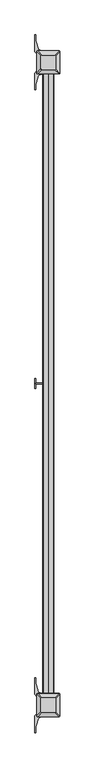
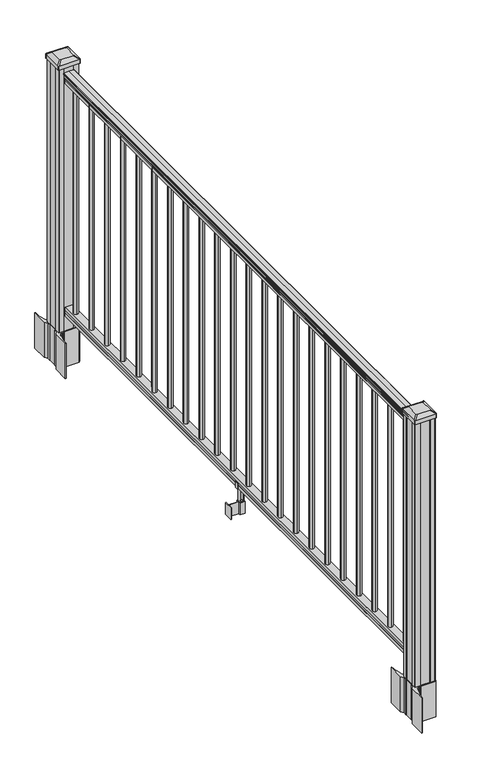
"""IFC4 building model written with IfcOpenShell, lengths in millimetres: railing geometry."""

from ifc_helpers import new_model, si_unit, point, frame, frame_2d, origin, origin_with_axes, place, context, project, spatial, polyline, circle_curve, trimmed, segment, composite_curve, outline, extrude, source, transform, mapped, element, save
from ifc_brep_helpers import plane_surface, extruded_surface, advanced_brep


def railing_ab00d17c(model_context):
    return source(origin(), model_context, "Body", "SolidModel", [
        extrude(outline(composite_curve([segment(trimmed(circle_curve(frame_2d((3572.3636618, 1090.8043297)), 1.2869144), [point((3573.6505761, 1090.8043297))], [point((3571.0767474, 1090.8043297))], False, "CARTESIAN"), True, "CONTINUOUS"), segment(polyline([(3571.0767474, 1090.8043297), (3571.0767474, 1080.147013), (3572.0927474, 1079.131013), (3572.0927474, 1066.8), (3540.3427474, 1066.8), (3540.3427474, 1079.2888283), (3541.3587474, 1080.3048283), (3541.3587474, 1090.8043297)]), True, "CONTINUOUS"), segment(trimmed(circle_curve(frame_2d((3540.071833, 1090.8043297)), 1.2869144), [point((3541.3587474, 1090.8043297))], [point((3538.7849187, 1090.8043297))], False, "CARTESIAN"), True, "CONTINUOUS"), segment(polyline([(3538.7849187, 1090.8043297), (3538.7849187, 1092.692412)]), True, "CONTINUOUS"), segment(trimmed(circle_curve(frame_2d((3545.0996719, 1098.4506383)), 8.545951), [point((3538.7849187, 1092.692412))], [point((3537.6547324, 1094.2546695))], False, "CARTESIAN"), True, "CONTINUOUS"), segment(trimmed(circle_curve(frame_2d((3544.662609, 1097.8636577)), 7.882584), [point((3537.6547324, 1094.2546695))], [point((3537.6547324, 1101.4726458))], False, "CARTESIAN"), True, "CONTINUOUS"), segment(trimmed(circle_curve(frame_2d((3534.1492849, 1103.7112527)), 4.1592695), [point((3537.6547324, 1101.4726458))], [point((3538.3039888, 1103.9060812))], True, "CARTESIAN"), True, "CONTINUOUS"), segment(trimmed(circle_curve(frame_2d((3532.8619783, 1103.6508864)), 5.4479907), [point((3538.3039888, 1103.9060812))], [point((3535.8039888, 1108.2362083))], True, "CARTESIAN"), True, "CONTINUOUS"), segment(trimmed(circle_curve(frame_2d((3534.0951367, 1108.233395)), 1.7088543), [point((3535.8039888, 1108.2362083))], [point((3534.3946463, 1109.9157972))], True, "CARTESIAN"), True, "CONTINUOUS"), segment(trimmed(circle_curve(frame_2d((3535.7120368, 1111.0205318)), 1.7192895), [point((3534.3946463, 1109.9157972))], [point((3533.9927473, 1111.0205318))], False, "CARTESIAN"), True, "CONTINUOUS"), segment(polyline([(3533.9927473, 1111.0205318), (3533.9927474, 1112.3608158)]), True, "CONTINUOUS"), segment(trimmed(circle_curve(frame_2d((3535.5461946, 1112.3608158)), 1.5534472), [point((3533.9927474, 1112.3608158))], [point((3535.5461946, 1113.914263))], False, "CARTESIAN"), True, "CONTINUOUS"), segment(polyline([(3535.5461946, 1113.914263), (3556.2177474, 1113.914263), (3576.8893002, 1113.914263)]), True, "CONTINUOUS"), segment(trimmed(circle_curve(frame_2d((3576.8893002, 1112.3608158)), 1.5534472), [point((3576.8893002, 1113.914263))], [point((3578.4427474, 1112.3608158))], False, "CARTESIAN"), True, "CONTINUOUS"), segment(polyline([(3578.4427474, 1112.3608158), (3578.4427474, 1111.0205318)]), True, "CONTINUOUS"), segment(trimmed(circle_curve(frame_2d((3576.723458, 1111.0205318)), 1.7192895), [point((3578.4427474, 1111.0205318))], [point((3578.0408485, 1109.9157972))], False, "CARTESIAN"), True, "CONTINUOUS"), segment(trimmed(circle_curve(frame_2d((3578.3403581, 1108.233395)), 1.7088543), [point((3578.0408485, 1109.9157972))], [point((3576.631506, 1108.2362083))], True, "CARTESIAN"), True, "CONTINUOUS"), segment(trimmed(circle_curve(frame_2d((3579.5735165, 1103.6508864)), 5.4479907), [point((3576.631506, 1108.2362083))], [point((3574.131506, 1103.9060812))], True, "CARTESIAN"), True, "CONTINUOUS"), segment(trimmed(circle_curve(frame_2d((3578.2862099, 1103.7112527)), 4.1592695), [point((3574.131506, 1103.9060812))], [point((3574.7807624, 1101.4726458))], True, "CARTESIAN"), True, "CONTINUOUS"), segment(trimmed(circle_curve(frame_2d((3567.7728858, 1097.8636577)), 7.882584), [point((3574.7807624, 1101.4726458))], [point((3574.7807624, 1094.2546695))], False, "CARTESIAN"), True, "CONTINUOUS"), segment(trimmed(circle_curve(frame_2d((3567.3358229, 1098.4506383)), 8.545951), [point((3574.7807624, 1094.2546695))], [point((3573.6505761, 1092.692412))], False, "CARTESIAN"), True, "CONTINUOUS"), segment(polyline([(3573.6505761, 1092.692412), (3573.6505761, 1090.8043297)]), True, "CONTINUOUS")], self_intersect=False)), frame((0.0, -18572.4475196, 0.0), z_axis=(0.0, -1.0, 0.0), x_axis=(1.0, 0.0, 0.0)), (0.0, 0.0, 1.0), 2438.4),
        extrude(outline(polyline([(76.0541976, 3572.1302343), (77.3546183, 3571.1142343), (87.7141717, 3571.1142343), (89.0624492, 3572.1302343), (101.5958781, 3572.1302343), (101.5958781, 3540.3802343), (89.0458024, 3540.3802343), (87.6975248, 3541.3962343), (77.3858283, 3541.3962343), (76.0375508, 3540.3802343), (63.5, 3540.3802343), (63.5, 3572.1302343), (76.0541976, 3572.1302343)])), frame((0.0, -21010.8475196, 0.0), z_axis=(0.0, 1.0, 0.0), x_axis=(0.0, 0.0, 1.0)), (0.0, 0.0, 1.0), 2438.4),
        extrude(outline(composite_curve([segment(trimmed(circle_curve(frame_2d((3556.2177474, -18622.2315196)), 9.525), [point((3565.7427474, -18622.2315196))], [point((3556.2177474, -18631.7565196))], False, "CARTESIAN"), True, "CONTINUOUS"), segment(trimmed(circle_curve(frame_2d((3556.2177474, -18622.2315196)), 9.525), [point((3556.2177474, -18631.7565196))], [point((3546.6927474, -18622.2315196))], False, "CARTESIAN"), True, "CONTINUOUS"), segment(trimmed(circle_curve(frame_2d((3556.2177474, -18622.2315196)), 9.525), [point((3546.6927474, -18622.2315196))], [point((3556.2177474, -18612.7065196))], False, "CARTESIAN"), True, "CONTINUOUS"), segment(trimmed(circle_curve(frame_2d((3556.2177474, -18622.2315196)), 9.525), [point((3556.2177474, -18612.7065196))], [point((3565.7427474, -18622.2315196))], False, "CARTESIAN"), True, "CONTINUOUS")], self_intersect=False)), frame((0.0, 0.0, 101.5958781), z_axis=(0.0, 0.0, 1.0), x_axis=(1.0, 0.0, 0.0)), (0.0, 0.0, 1.0), 965.2041219),
        extrude(outline(composite_curve([segment(trimmed(circle_curve(frame_2d((3556.2177474, -18733.4835196)), 9.525), [point((3565.7427474, -18733.4835196))], [point((3556.2177474, -18743.0085196))], False, "CARTESIAN"), True, "CONTINUOUS"), segment(trimmed(circle_curve(frame_2d((3556.2177474, -18733.4835196)), 9.525), [point((3556.2177474, -18743.0085196))], [point((3546.6927474, -18733.4835196))], False, "CARTESIAN"), True, "CONTINUOUS"), segment(trimmed(circle_curve(frame_2d((3556.2177474, -18733.4835196)), 9.525), [point((3546.6927474, -18733.4835196))], [point((3556.2177474, -18723.9585196))], False, "CARTESIAN"), True, "CONTINUOUS"), segment(trimmed(circle_curve(frame_2d((3556.2177474, -18733.4835196)), 9.525), [point((3556.2177474, -18723.9585196))], [point((3565.7427474, -18733.4835196))], False, "CARTESIAN"), True, "CONTINUOUS")], self_intersect=False)), frame((0.0, 0.0, 101.5958781), z_axis=(0.0, 0.0, 1.0), x_axis=(1.0, 0.0, 0.0)), (0.0, 0.0, 1.0), 965.2041219),
        extrude(outline(composite_curve([segment(trimmed(circle_curve(frame_2d((3556.2177474, -18844.7355196)), 9.525), [point((3565.7427474, -18844.7355196))], [point((3556.2177474, -18854.2605196))], False, "CARTESIAN"), True, "CONTINUOUS"), segment(trimmed(circle_curve(frame_2d((3556.2177474, -18844.7355196)), 9.525), [point((3556.2177474, -18854.2605196))], [point((3546.6927474, -18844.7355196))], False, "CARTESIAN"), True, "CONTINUOUS"), segment(trimmed(circle_curve(frame_2d((3556.2177474, -18844.7355196)), 9.525), [point((3546.6927474, -18844.7355196))], [point((3556.2177474, -18835.2105196))], False, "CARTESIAN"), True, "CONTINUOUS"), segment(trimmed(circle_curve(frame_2d((3556.2177474, -18844.7355196)), 9.525), [point((3556.2177474, -18835.2105196))], [point((3565.7427474, -18844.7355196))], False, "CARTESIAN"), True, "CONTINUOUS")], self_intersect=False)), frame((0.0, 0.0, 101.5958781), z_axis=(0.0, 0.0, 1.0), x_axis=(1.0, 0.0, 0.0)), (0.0, 0.0, 1.0), 965.2041219),
        extrude(outline(composite_curve([segment(trimmed(circle_curve(frame_2d((3556.2177474, -18955.9875196)), 9.525), [point((3565.7427474, -18955.9875196))], [point((3556.2177474, -18965.5125196))], False, "CARTESIAN"), True, "CONTINUOUS"), segment(trimmed(circle_curve(frame_2d((3556.2177474, -18955.9875196)), 9.525), [point((3556.2177474, -18965.5125196))], [point((3546.6927474, -18955.9875196))], False, "CARTESIAN"), True, "CONTINUOUS"), segment(trimmed(circle_curve(frame_2d((3556.2177474, -18955.9875196)), 9.525), [point((3546.6927474, -18955.9875196))], [point((3556.2177474, -18946.4625196))], False, "CARTESIAN"), True, "CONTINUOUS"), segment(trimmed(circle_curve(frame_2d((3556.2177474, -18955.9875196)), 9.525), [point((3556.2177474, -18946.4625196))], [point((3565.7427474, -18955.9875196))], False, "CARTESIAN"), True, "CONTINUOUS")], self_intersect=False)), frame((0.0, 0.0, 101.5958781), z_axis=(0.0, 0.0, 1.0), x_axis=(1.0, 0.0, 0.0)), (0.0, 0.0, 1.0), 965.2041219),
        extrude(outline(composite_curve([segment(trimmed(circle_curve(frame_2d((3556.2177474, -19067.2395196)), 9.525), [point((3565.7427474, -19067.2395196))], [point((3556.2177474, -19076.7645196))], False, "CARTESIAN"), True, "CONTINUOUS"), segment(trimmed(circle_curve(frame_2d((3556.2177474, -19067.2395196)), 9.525), [point((3556.2177474, -19076.7645196))], [point((3546.6927474, -19067.2395196))], False, "CARTESIAN"), True, "CONTINUOUS"), segment(trimmed(circle_curve(frame_2d((3556.2177474, -19067.2395196)), 9.525), [point((3546.6927474, -19067.2395196))], [point((3556.2177474, -19057.7145196))], False, "CARTESIAN"), True, "CONTINUOUS"), segment(trimmed(circle_curve(frame_2d((3556.2177474, -19067.2395196)), 9.525), [point((3556.2177474, -19057.7145196))], [point((3565.7427474, -19067.2395196))], False, "CARTESIAN"), True, "CONTINUOUS")], self_intersect=False)), frame((0.0, 0.0, 101.5958781), z_axis=(0.0, 0.0, 1.0), x_axis=(1.0, 0.0, 0.0)), (0.0, 0.0, 1.0), 965.2041219),
        extrude(outline(composite_curve([segment(trimmed(circle_curve(frame_2d((3556.2177474, -19178.4915196)), 9.525), [point((3565.7427474, -19178.4915196))], [point((3556.2177474, -19188.0165196))], False, "CARTESIAN"), True, "CONTINUOUS"), segment(trimmed(circle_curve(frame_2d((3556.2177474, -19178.4915196)), 9.525), [point((3556.2177474, -19188.0165196))], [point((3546.6927474, -19178.4915196))], False, "CARTESIAN"), True, "CONTINUOUS"), segment(trimmed(circle_curve(frame_2d((3556.2177474, -19178.4915196)), 9.525), [point((3546.6927474, -19178.4915196))], [point((3556.2177474, -19168.9665196))], False, "CARTESIAN"), True, "CONTINUOUS"), segment(trimmed(circle_curve(frame_2d((3556.2177474, -19178.4915196)), 9.525), [point((3556.2177474, -19168.9665196))], [point((3565.7427474, -19178.4915196))], False, "CARTESIAN"), True, "CONTINUOUS")], self_intersect=False)), frame((0.0, 0.0, 101.5958781), z_axis=(0.0, 0.0, 1.0), x_axis=(1.0, 0.0, 0.0)), (0.0, 0.0, 1.0), 965.2041219),
        extrude(outline(composite_curve([segment(trimmed(circle_curve(frame_2d((3556.2177474, -19289.7435196)), 9.525), [point((3565.7427474, -19289.7435196))], [point((3556.2177474, -19299.2685196))], False, "CARTESIAN"), True, "CONTINUOUS"), segment(trimmed(circle_curve(frame_2d((3556.2177474, -19289.7435196)), 9.525), [point((3556.2177474, -19299.2685196))], [point((3546.6927474, -19289.7435196))], False, "CARTESIAN"), True, "CONTINUOUS"), segment(trimmed(circle_curve(frame_2d((3556.2177474, -19289.7435196)), 9.525), [point((3546.6927474, -19289.7435196))], [point((3556.2177474, -19280.2185196))], False, "CARTESIAN"), True, "CONTINUOUS"), segment(trimmed(circle_curve(frame_2d((3556.2177474, -19289.7435196)), 9.525), [point((3556.2177474, -19280.2185196))], [point((3565.7427474, -19289.7435196))], False, "CARTESIAN"), True, "CONTINUOUS")], self_intersect=False)), frame((0.0, 0.0, 101.5958781), z_axis=(0.0, 0.0, 1.0), x_axis=(1.0, 0.0, 0.0)), (0.0, 0.0, 1.0), 965.2041219),
        extrude(outline(composite_curve([segment(trimmed(circle_curve(frame_2d((3556.2177474, -19400.9955196)), 9.525), [point((3565.7427474, -19400.9955196))], [point((3556.2177474, -19410.5205196))], False, "CARTESIAN"), True, "CONTINUOUS"), segment(trimmed(circle_curve(frame_2d((3556.2177474, -19400.9955196)), 9.525), [point((3556.2177474, -19410.5205196))], [point((3546.6927474, -19400.9955196))], False, "CARTESIAN"), True, "CONTINUOUS"), segment(trimmed(circle_curve(frame_2d((3556.2177474, -19400.9955196)), 9.525), [point((3546.6927474, -19400.9955196))], [point((3556.2177474, -19391.4705196))], False, "CARTESIAN"), True, "CONTINUOUS"), segment(trimmed(circle_curve(frame_2d((3556.2177474, -19400.9955196)), 9.525), [point((3556.2177474, -19391.4705196))], [point((3565.7427474, -19400.9955196))], False, "CARTESIAN"), True, "CONTINUOUS")], self_intersect=False)), frame((0.0, 0.0, 101.5958781), z_axis=(0.0, 0.0, 1.0), x_axis=(1.0, 0.0, 0.0)), (0.0, 0.0, 1.0), 965.2041219),
        extrude(outline(composite_curve([segment(trimmed(circle_curve(frame_2d((3556.2177474, -19512.2475196)), 9.525), [point((3565.7427474, -19512.2475196))], [point((3556.2177474, -19521.7725196))], False, "CARTESIAN"), True, "CONTINUOUS"), segment(trimmed(circle_curve(frame_2d((3556.2177474, -19512.2475196)), 9.525), [point((3556.2177474, -19521.7725196))], [point((3546.6927474, -19512.2475196))], False, "CARTESIAN"), True, "CONTINUOUS"), segment(trimmed(circle_curve(frame_2d((3556.2177474, -19512.2475196)), 9.525), [point((3546.6927474, -19512.2475196))], [point((3556.2177474, -19502.7225196))], False, "CARTESIAN"), True, "CONTINUOUS"), segment(trimmed(circle_curve(frame_2d((3556.2177474, -19512.2475196)), 9.525), [point((3556.2177474, -19502.7225196))], [point((3565.7427474, -19512.2475196))], False, "CARTESIAN"), True, "CONTINUOUS")], self_intersect=False)), frame((0.0, 0.0, 101.5958781), z_axis=(0.0, 0.0, 1.0), x_axis=(1.0, 0.0, 0.0)), (0.0, 0.0, 1.0), 965.2041219),
        extrude(outline(composite_curve([segment(trimmed(circle_curve(frame_2d((3556.2177474, -19623.4995196)), 9.525), [point((3565.7427474, -19623.4995196))], [point((3556.2177474, -19633.0245196))], False, "CARTESIAN"), True, "CONTINUOUS"), segment(trimmed(circle_curve(frame_2d((3556.2177474, -19623.4995196)), 9.525), [point((3556.2177474, -19633.0245196))], [point((3546.6927474, -19623.4995196))], False, "CARTESIAN"), True, "CONTINUOUS"), segment(trimmed(circle_curve(frame_2d((3556.2177474, -19623.4995196)), 9.525), [point((3546.6927474, -19623.4995196))], [point((3556.2177474, -19613.9745196))], False, "CARTESIAN"), True, "CONTINUOUS"), segment(trimmed(circle_curve(frame_2d((3556.2177474, -19623.4995196)), 9.525), [point((3556.2177474, -19613.9745196))], [point((3565.7427474, -19623.4995196))], False, "CARTESIAN"), True, "CONTINUOUS")], self_intersect=False)), frame((0.0, 0.0, 101.5958781), z_axis=(0.0, 0.0, 1.0), x_axis=(1.0, 0.0, 0.0)), (0.0, 0.0, 1.0), 965.2041219),
        extrude(outline(composite_curve([segment(trimmed(circle_curve(frame_2d((3556.2177474, -19734.7515196)), 9.525), [point((3565.7427474, -19734.7515196))], [point((3556.2177474, -19744.2765196))], False, "CARTESIAN"), True, "CONTINUOUS"), segment(trimmed(circle_curve(frame_2d((3556.2177474, -19734.7515196)), 9.525), [point((3556.2177474, -19744.2765196))], [point((3546.6927474, -19734.7515196))], False, "CARTESIAN"), True, "CONTINUOUS"), segment(trimmed(circle_curve(frame_2d((3556.2177474, -19734.7515196)), 9.525), [point((3546.6927474, -19734.7515196))], [point((3556.2177474, -19725.2265196))], False, "CARTESIAN"), True, "CONTINUOUS"), segment(trimmed(circle_curve(frame_2d((3556.2177474, -19734.7515196)), 9.525), [point((3556.2177474, -19725.2265196))], [point((3565.7427474, -19734.7515196))], False, "CARTESIAN"), True, "CONTINUOUS")], self_intersect=False)), frame((0.0, 0.0, 101.5958781), z_axis=(0.0, 0.0, 1.0), x_axis=(1.0, 0.0, 0.0)), (0.0, 0.0, 1.0), 965.2041219),
        extrude(outline(polyline([(3545.5497476, -19791.6475196), (3506.1797474, -19791.6475196), (3506.1797474, -19789.1075196), (3545.5497476, -19789.1075196), (3545.5497476, -19791.6475196)])), frame((0.0, 0.0, -50.8), z_axis=(0.0, 0.0, 1.0), x_axis=(1.0, 0.0, 0.0)), (0.0, 0.0, 1.0), 50.8),
        extrude(outline(polyline([(3506.1797474, -19809.4275196), (3503.6397474, -19809.4275196), (3503.6397474, -19771.3275196), (3506.1797474, -19771.3275196), (3506.1797474, -19809.4275196)])), frame((0.0, 0.0, -50.8), z_axis=(0.0, 0.0, 1.0), x_axis=(1.0, 0.0, 0.0)), (0.0, 0.0, 1.0), 50.8),
        extrude(outline(polyline([(3566.8857481, -19800.2835196), (3545.5497476, -19800.2835196), (3545.5497476, -19780.4715196), (3566.8857481, -19780.4715196), (3566.8857481, -19800.2835196)]), holes=[polyline([(3563.5837481, -19797.7435196), (3563.5837481, -19783.0115196), (3548.8517477, -19783.0115196), (3548.8517477, -19797.7435196), (3563.5837481, -19797.7435196)])]), frame((0.0, 0.0, -50.8), z_axis=(0.0, 0.0, 1.0), x_axis=(1.0, 0.0, 0.0)), (0.0, 0.0, 1.0), 50.8),
        extrude(outline(polyline([(88.7203979, 3538.0567486), (87.9583969, 3537.2947475), (61.4680023, 3537.2947475), (60.7060013, 3538.0567486), (60.7060013, 3548.0897476), (59.9440012, 3548.8517477), (-3.5559988, 3548.8517477), (-3.5559988, 3563.5837481), (59.9440012, 3563.5837481), (60.7060013, 3564.3457481), (60.7060013, 3574.3787472), (61.4680023, 3575.1407482), (87.9583969, 3575.1407482), (88.7203979, 3574.3787472), (88.7203979, 3572.3467476), (87.7043953, 3571.3307478), (77.2686081, 3571.3307478), (76.2526073, 3572.3467476), (64.262001, 3572.3467476), (63.5000019, 3571.5847485), (63.5000019, 3540.8507473), (64.262001, 3540.0887482), (76.2526073, 3540.0887482), (77.2686081, 3541.104748), (87.7043953, 3541.104748), (88.7203979, 3540.0887482), (88.7203979, 3538.0567486)]), holes=[polyline([(60.7060013, 3559.6467478), (59.9440012, 3560.4087479), (3.9370031, 3560.4087479), (3.1750031, 3559.6467478), (3.1750031, 3552.7887451), (3.9370003, 3552.0267479), (59.9440012, 3552.0267479), (60.7060013, 3552.788748), (60.7060013, 3559.6467478)])]), frame((0.0, -19797.7435196, 0.0), z_axis=(0.0, 1.0, 0.0), x_axis=(0.0, 0.0, 1.0)), (0.0, 0.0, 1.0), 14.732),
        extrude(outline(composite_curve([segment(trimmed(circle_curve(frame_2d((3556.2177474, -19846.0035196)), 9.525), [point((3565.7427474, -19846.0035196))], [point((3556.2177474, -19855.5285196))], False, "CARTESIAN"), True, "CONTINUOUS"), segment(trimmed(circle_curve(frame_2d((3556.2177474, -19846.0035196)), 9.525), [point((3556.2177474, -19855.5285196))], [point((3546.6927474, -19846.0035196))], False, "CARTESIAN"), True, "CONTINUOUS"), segment(trimmed(circle_curve(frame_2d((3556.2177474, -19846.0035196)), 9.525), [point((3546.6927474, -19846.0035196))], [point((3556.2177474, -19836.4785196))], False, "CARTESIAN"), True, "CONTINUOUS"), segment(trimmed(circle_curve(frame_2d((3556.2177474, -19846.0035196)), 9.525), [point((3556.2177474, -19836.4785196))], [point((3565.7427474, -19846.0035196))], False, "CARTESIAN"), True, "CONTINUOUS")], self_intersect=False)), frame((0.0, 0.0, 101.5958781), z_axis=(0.0, 0.0, 1.0), x_axis=(1.0, 0.0, 0.0)), (0.0, 0.0, 1.0), 965.2041219),
        extrude(outline(composite_curve([segment(trimmed(circle_curve(frame_2d((3556.2177474, -19957.2555196)), 9.525), [point((3565.7427474, -19957.2555196))], [point((3556.2177474, -19966.7805196))], False, "CARTESIAN"), True, "CONTINUOUS"), segment(trimmed(circle_curve(frame_2d((3556.2177474, -19957.2555196)), 9.525), [point((3556.2177474, -19966.7805196))], [point((3546.6927474, -19957.2555196))], False, "CARTESIAN"), True, "CONTINUOUS"), segment(trimmed(circle_curve(frame_2d((3556.2177474, -19957.2555196)), 9.525), [point((3546.6927474, -19957.2555196))], [point((3556.2177474, -19947.7305196))], False, "CARTESIAN"), True, "CONTINUOUS"), segment(trimmed(circle_curve(frame_2d((3556.2177474, -19957.2555196)), 9.525), [point((3556.2177474, -19947.7305196))], [point((3565.7427474, -19957.2555196))], False, "CARTESIAN"), True, "CONTINUOUS")], self_intersect=False)), frame((0.0, 0.0, 101.5958781), z_axis=(0.0, 0.0, 1.0), x_axis=(1.0, 0.0, 0.0)), (0.0, 0.0, 1.0), 965.2041219),
        extrude(outline(composite_curve([segment(trimmed(circle_curve(frame_2d((3556.2177474, -20068.5075196)), 9.525), [point((3565.7427474, -20068.5075196))], [point((3556.2177474, -20078.0325196))], False, "CARTESIAN"), True, "CONTINUOUS"), segment(trimmed(circle_curve(frame_2d((3556.2177474, -20068.5075196)), 9.525), [point((3556.2177474, -20078.0325196))], [point((3546.6927474, -20068.5075196))], False, "CARTESIAN"), True, "CONTINUOUS"), segment(trimmed(circle_curve(frame_2d((3556.2177474, -20068.5075196)), 9.525), [point((3546.6927474, -20068.5075196))], [point((3556.2177474, -20058.9825196))], False, "CARTESIAN"), True, "CONTINUOUS"), segment(trimmed(circle_curve(frame_2d((3556.2177474, -20068.5075196)), 9.525), [point((3556.2177474, -20058.9825196))], [point((3565.7427474, -20068.5075196))], False, "CARTESIAN"), True, "CONTINUOUS")], self_intersect=False)), frame((0.0, 0.0, 101.5958781), z_axis=(0.0, 0.0, 1.0), x_axis=(1.0, 0.0, 0.0)), (0.0, 0.0, 1.0), 965.2041219),
        extrude(outline(composite_curve([segment(trimmed(circle_curve(frame_2d((3556.2177474, -20179.7595196)), 9.525), [point((3565.7427474, -20179.7595196))], [point((3556.2177474, -20189.2845196))], False, "CARTESIAN"), True, "CONTINUOUS"), segment(trimmed(circle_curve(frame_2d((3556.2177474, -20179.7595196)), 9.525), [point((3556.2177474, -20189.2845196))], [point((3546.6927474, -20179.7595196))], False, "CARTESIAN"), True, "CONTINUOUS"), segment(trimmed(circle_curve(frame_2d((3556.2177474, -20179.7595196)), 9.525), [point((3546.6927474, -20179.7595196))], [point((3556.2177474, -20170.2345196))], False, "CARTESIAN"), True, "CONTINUOUS"), segment(trimmed(circle_curve(frame_2d((3556.2177474, -20179.7595196)), 9.525), [point((3556.2177474, -20170.2345196))], [point((3565.7427474, -20179.7595196))], False, "CARTESIAN"), True, "CONTINUOUS")], self_intersect=False)), frame((0.0, 0.0, 101.5958781), z_axis=(0.0, 0.0, 1.0), x_axis=(1.0, 0.0, 0.0)), (0.0, 0.0, 1.0), 965.2041219),
        extrude(outline(composite_curve([segment(trimmed(circle_curve(frame_2d((3556.2177474, -20291.0115196)), 9.525), [point((3565.7427474, -20291.0115196))], [point((3556.2177474, -20300.5365196))], False, "CARTESIAN"), True, "CONTINUOUS"), segment(trimmed(circle_curve(frame_2d((3556.2177474, -20291.0115196)), 9.525), [point((3556.2177474, -20300.5365196))], [point((3546.6927474, -20291.0115196))], False, "CARTESIAN"), True, "CONTINUOUS"), segment(trimmed(circle_curve(frame_2d((3556.2177474, -20291.0115196)), 9.525), [point((3546.6927474, -20291.0115196))], [point((3556.2177474, -20281.4865196))], False, "CARTESIAN"), True, "CONTINUOUS"), segment(trimmed(circle_curve(frame_2d((3556.2177474, -20291.0115196)), 9.525), [point((3556.2177474, -20281.4865196))], [point((3565.7427474, -20291.0115196))], False, "CARTESIAN"), True, "CONTINUOUS")], self_intersect=False)), frame((0.0, 0.0, 101.5958781), z_axis=(0.0, 0.0, 1.0), x_axis=(1.0, 0.0, 0.0)), (0.0, 0.0, 1.0), 965.2041219),
        extrude(outline(composite_curve([segment(trimmed(circle_curve(frame_2d((3556.2177474, -20402.2635196)), 9.525), [point((3565.7427474, -20402.2635196))], [point((3556.2177474, -20411.7885196))], False, "CARTESIAN"), True, "CONTINUOUS"), segment(trimmed(circle_curve(frame_2d((3556.2177474, -20402.2635196)), 9.525), [point((3556.2177474, -20411.7885196))], [point((3546.6927474, -20402.2635196))], False, "CARTESIAN"), True, "CONTINUOUS"), segment(trimmed(circle_curve(frame_2d((3556.2177474, -20402.2635196)), 9.525), [point((3546.6927474, -20402.2635196))], [point((3556.2177474, -20392.7385196))], False, "CARTESIAN"), True, "CONTINUOUS"), segment(trimmed(circle_curve(frame_2d((3556.2177474, -20402.2635196)), 9.525), [point((3556.2177474, -20392.7385196))], [point((3565.7427474, -20402.2635196))], False, "CARTESIAN"), True, "CONTINUOUS")], self_intersect=False)), frame((0.0, 0.0, 101.5958781), z_axis=(0.0, 0.0, 1.0), x_axis=(1.0, 0.0, 0.0)), (0.0, 0.0, 1.0), 965.2041219),
        extrude(outline(composite_curve([segment(trimmed(circle_curve(frame_2d((3556.2177474, -20513.5155196)), 9.525), [point((3565.7427474, -20513.5155196))], [point((3556.2177474, -20523.0405196))], False, "CARTESIAN"), True, "CONTINUOUS"), segment(trimmed(circle_curve(frame_2d((3556.2177474, -20513.5155196)), 9.525), [point((3556.2177474, -20523.0405196))], [point((3546.6927474, -20513.5155196))], False, "CARTESIAN"), True, "CONTINUOUS"), segment(trimmed(circle_curve(frame_2d((3556.2177474, -20513.5155196)), 9.525), [point((3546.6927474, -20513.5155196))], [point((3556.2177474, -20503.9905196))], False, "CARTESIAN"), True, "CONTINUOUS"), segment(trimmed(circle_curve(frame_2d((3556.2177474, -20513.5155196)), 9.525), [point((3556.2177474, -20503.9905196))], [point((3565.7427474, -20513.5155196))], False, "CARTESIAN"), True, "CONTINUOUS")], self_intersect=False)), frame((0.0, 0.0, 101.5958781), z_axis=(0.0, 0.0, 1.0), x_axis=(1.0, 0.0, 0.0)), (0.0, 0.0, 1.0), 965.2041219),
        extrude(outline(composite_curve([segment(trimmed(circle_curve(frame_2d((3556.2177474, -20624.7675196)), 9.525), [point((3565.7427474, -20624.7675196))], [point((3556.2177474, -20634.2925196))], False, "CARTESIAN"), True, "CONTINUOUS"), segment(trimmed(circle_curve(frame_2d((3556.2177474, -20624.7675196)), 9.525), [point((3556.2177474, -20634.2925196))], [point((3546.6927474, -20624.7675196))], False, "CARTESIAN"), True, "CONTINUOUS"), segment(trimmed(circle_curve(frame_2d((3556.2177474, -20624.7675196)), 9.525), [point((3546.6927474, -20624.7675196))], [point((3556.2177474, -20615.2425196))], False, "CARTESIAN"), True, "CONTINUOUS"), segment(trimmed(circle_curve(frame_2d((3556.2177474, -20624.7675196)), 9.525), [point((3556.2177474, -20615.2425196))], [point((3565.7427474, -20624.7675196))], False, "CARTESIAN"), True, "CONTINUOUS")], self_intersect=False)), frame((0.0, 0.0, 101.5958781), z_axis=(0.0, 0.0, 1.0), x_axis=(1.0, 0.0, 0.0)), (0.0, 0.0, 1.0), 965.2041219),
        extrude(outline(composite_curve([segment(trimmed(circle_curve(frame_2d((3556.2177474, -20736.0195196)), 9.525), [point((3565.7427474, -20736.0195196))], [point((3556.2177474, -20745.5445196))], False, "CARTESIAN"), True, "CONTINUOUS"), segment(trimmed(circle_curve(frame_2d((3556.2177474, -20736.0195196)), 9.525), [point((3556.2177474, -20745.5445196))], [point((3546.6927474, -20736.0195196))], False, "CARTESIAN"), True, "CONTINUOUS"), segment(trimmed(circle_curve(frame_2d((3556.2177474, -20736.0195196)), 9.525), [point((3546.6927474, -20736.0195196))], [point((3556.2177474, -20726.4945196))], False, "CARTESIAN"), True, "CONTINUOUS"), segment(trimmed(circle_curve(frame_2d((3556.2177474, -20736.0195196)), 9.525), [point((3556.2177474, -20726.4945196))], [point((3565.7427474, -20736.0195196))], False, "CARTESIAN"), True, "CONTINUOUS")], self_intersect=False)), frame((0.0, 0.0, 101.5958781), z_axis=(0.0, 0.0, 1.0), x_axis=(1.0, 0.0, 0.0)), (0.0, 0.0, 1.0), 965.2041219),
        extrude(outline(composite_curve([segment(trimmed(circle_curve(frame_2d((3556.2177474, -20847.2715196)), 9.525), [point((3565.7427474, -20847.2715196))], [point((3556.2177474, -20856.7965196))], False, "CARTESIAN"), True, "CONTINUOUS"), segment(trimmed(circle_curve(frame_2d((3556.2177474, -20847.2715196)), 9.525), [point((3556.2177474, -20856.7965196))], [point((3546.6927474, -20847.2715196))], False, "CARTESIAN"), True, "CONTINUOUS"), segment(trimmed(circle_curve(frame_2d((3556.2177474, -20847.2715196)), 9.525), [point((3546.6927474, -20847.2715196))], [point((3556.2177474, -20837.7465196))], False, "CARTESIAN"), True, "CONTINUOUS"), segment(trimmed(circle_curve(frame_2d((3556.2177474, -20847.2715196)), 9.525), [point((3556.2177474, -20837.7465196))], [point((3565.7427474, -20847.2715196))], False, "CARTESIAN"), True, "CONTINUOUS")], self_intersect=False)), frame((0.0, 0.0, 101.5958781), z_axis=(0.0, 0.0, 1.0), x_axis=(1.0, 0.0, 0.0)), (0.0, 0.0, 1.0), 965.2041219),
        extrude(outline(composite_curve([segment(trimmed(circle_curve(frame_2d((3556.2177474, -20958.5235196)), 9.525), [point((3565.7427474, -20958.5235196))], [point((3556.2177474, -20968.0485196))], False, "CARTESIAN"), True, "CONTINUOUS"), segment(trimmed(circle_curve(frame_2d((3556.2177474, -20958.5235196)), 9.525), [point((3556.2177474, -20968.0485196))], [point((3546.6927474, -20958.5235196))], False, "CARTESIAN"), True, "CONTINUOUS"), segment(trimmed(circle_curve(frame_2d((3556.2177474, -20958.5235196)), 9.525), [point((3546.6927474, -20958.5235196))], [point((3556.2177474, -20948.9985196))], False, "CARTESIAN"), True, "CONTINUOUS"), segment(trimmed(circle_curve(frame_2d((3556.2177474, -20958.5235196)), 9.525), [point((3556.2177474, -20948.9985196))], [point((3565.7427474, -20958.5235196))], False, "CARTESIAN"), True, "CONTINUOUS")], self_intersect=False)), frame((0.0, 0.0, 101.5958781), z_axis=(0.0, 0.0, 1.0), x_axis=(1.0, 0.0, 0.0)), (0.0, 0.0, 1.0), 965.2041219),
        extrude(outline(composite_curve([segment(polyline([(3598.9532474, -18548.4316145), (3600.5407474, -18549.1936145), (3600.5407474, -18571.9955426), (3597.1677703, -18575.3685196), (3535.7080995, -18575.3685196), (3535.7080995, -18576.2892696), (3530.3905557, -18576.2892696), (3530.3905557, -18577.7435243), (3525.306026, -18577.7435243), (3525.306026, -18579.0275482), (3523.6387537, -18579.0275482)]), True, "CONTINUOUS"), segment(trimmed(circle_curve(frame_2d((3523.6387537, -18586.087008)), 7.0594599), [point((3523.6387537, -18579.0275482))], [point((3516.8714908, -18584.0770013))], True, "CARTESIAN"), True, "CONTINUOUS"), segment(polyline([(3516.8714908, -18584.0770013), (3508.9972966, -18610.5877304)]), True, "CONTINUOUS"), segment(trimmed(circle_curve(frame_2d((3563.7818099, -18626.8597801)), 57.15), [point((3508.9972966, -18610.5877304))], [point((3506.6318099, -18626.8597801))], True, "CARTESIAN"), True, "CONTINUOUS"), segment(polyline([(3506.6318099, -18626.8597801), (3506.6318099, -18638.8685196), (3503.6318099, -18638.8685196), (3503.6318099, -18573.7810196), (3511.8947474, -18562.4427283), (3511.8947474, -18549.1936145), (3513.4822474, -18548.4316145), (3513.4822474, -18513.6594248), (3511.8947474, -18512.8974248), (3511.8947474, -18499.648311), (3503.6318099, -18488.3100196), (3503.6318099, -18423.2225196), (3506.6318099, -18423.2225196), (3506.6318099, -18435.2312592)]), True, "CONTINUOUS"), segment(trimmed(circle_curve(frame_2d((3563.7818099, -18435.2312592)), 57.15), [point((3506.6318099, -18435.2312592))], [point((3508.9972966, -18451.5033088))], True, "CARTESIAN"), True, "CONTINUOUS"), segment(polyline([(3508.9972966, -18451.5033088), (3516.8714908, -18478.0140379)]), True, "CONTINUOUS"), segment(trimmed(circle_curve(frame_2d((3523.6387537, -18476.0040313)), 7.0594599), [point((3516.8714908, -18478.0140379))], [point((3523.6387537, -18483.0634911))], True, "CARTESIAN"), True, "CONTINUOUS"), segment(polyline([(3523.6387537, -18483.0634911), (3525.306026, -18483.0634911), (3525.306026, -18484.347515), (3530.3905557, -18484.347515), (3530.3905557, -18485.8017696), (3535.7080995, -18485.8017696), (3535.7080995, -18486.7225196), (3597.1677703, -18486.7225196), (3600.5407474, -18490.0954967), (3600.5407474, -18512.8974248), (3598.9532474, -18513.6594248), (3598.9532474, -18548.4316145)]), True, "CONTINUOUS")], self_intersect=False), holes=[polyline([(3514.9427474, -18491.3580196), (3514.9427474, -18570.7330196), (3516.5302474, -18572.3205196), (3553.45453, -18572.3205196), (3595.9052474, -18572.3205196), (3597.4927474, -18570.7330196), (3597.4927474, -18491.3580196), (3595.9052474, -18489.7705196), (3553.45453, -18489.7705196), (3516.5302474, -18489.7705196), (3514.9427474, -18491.3580196)])]), frame((0.0, 0.0, -152.4), z_axis=(0.0, 0.0, 1.0), x_axis=(1.0, 0.0, 0.0)), (0.0, 0.0, 1.0), 152.4),
        advanced_brep(
        [(3530.4208724, -18560.0173946, 1165.225), (3582.0146224, -18560.0173946, 1165.225), (3585.1896224, -18556.8423946, 1165.225), (3585.1896224, -18505.2486446, 1165.225), (3582.0146224, -18502.0736446, 1165.225), (3530.4208724, -18502.0736446, 1165.225), (3527.2458724, -18505.2486446, 1165.225), (3527.2458724, -18556.8423946, 1165.225), (3514.1489974, -18576.2892696, 1153.922), (3510.9739974, -18573.1142696, 1153.922), (3510.9739974, -18488.9767696, 1153.922), (3514.1489974, -18485.8017696, 1153.922), (3598.2864974, -18485.8017696, 1153.922), (3601.4614974, -18488.9767696, 1153.922), (3601.4614974, -18573.1142696, 1153.922), (3598.2864974, -18576.2892696, 1153.922)],
        [
            (0, 1),
            (1, 2, circle_curve(frame((3582.0146224, -18556.8423946, 1165.225), z_axis=(0.0, 0.0, 1.0), x_axis=(0.0, 1.0, 0.0)), 3.175)),
            (2, 3),
            (3, 4, circle_curve(frame((3582.0146224, -18505.2486446, 1165.225), z_axis=(0.0, 0.0, 1.0), x_axis=(0.0, 1.0, 0.0)), 3.175)),
            (4, 5),
            (5, 6, circle_curve(frame((3530.4208724, -18505.2486446, 1165.225), z_axis=(0.0, 0.0, 1.0), x_axis=(0.0, 1.0, 0.0)), 3.175)),
            (6, 7),
            (7, 0, circle_curve(frame((3530.4208724, -18556.8423946, 1165.225), z_axis=(0.0, 0.0, 1.0), x_axis=(0.0, 1.0, 0.0)), 3.175)),
            (8, 9, circle_curve(frame((3514.1489974, -18573.1142696, 1153.922), z_axis=(0.0, 0.0, -1.0), x_axis=(0.0, 1.0, 0.0)), 3.175)),
            (9, 10),
            (10, 11, circle_curve(frame((3514.1489974, -18488.9767696, 1153.922), z_axis=(0.0, 0.0, -1.0), x_axis=(0.0, 1.0, 0.0)), 3.175)),
            (11, 12),
            (12, 13, circle_curve(frame((3598.2864974, -18488.9767696, 1153.922), z_axis=(0.0, 0.0, -1.0), x_axis=(0.0, 1.0, 0.0)), 3.175)),
            (13, 14),
            (14, 15, circle_curve(frame((3598.2864974, -18573.1142696, 1153.922), z_axis=(0.0, 0.0, -1.0), x_axis=(0.0, 1.0, 0.0)), 3.175)),
            (15, 8),
            (8, 0),
            (7, 9),
            (6, 10),
            (5, 11),
            (4, 12),
            (3, 13),
            (2, 14),
            (1, 15),
        ],
        [
            plane_surface(frame((3556.2177474, -18531.0455196, 1165.225), z_axis=(0.0, 0.0, 1.0), x_axis=(-1.0, 0.0, 0.0))),
            plane_surface(frame((3556.2177474, -18531.0455196, 1153.922), z_axis=(0.0, 0.0, -1.0), x_axis=(-1.0, 0.0, 0.0))),
            extruded_surface(trimmed(circle_curve(frame((3530.4208724, -18556.8423946, 1165.225), z_axis=(0.0, 0.0, -1.0), x_axis=(0.0, 1.0, 0.0)), 3.175), [point((3530.4208724, -18560.0173946, 1165.225))], [point((3527.2458724, -18556.8423946, 1165.225))], True, "CARTESIAN"), (-16.27187499999991, -16.271874999998545, -11.302999999999884), 25.63797263886513),
            plane_surface(frame((3510.9739974, -18531.0455196, 1153.922), z_axis=(-0.5705009161540777, 0.0, 0.8212969649690409), x_axis=(0.0, 1.0, 0.0))),
            extruded_surface(trimmed(circle_curve(frame((3530.4208724, -18505.2486446, 1165.225), z_axis=(0.0, 0.0, -1.0), x_axis=(0.0, 1.0, 0.0)), 3.175), [point((3527.2458724, -18505.2486446, 1165.225))], [point((3530.4208724, -18502.0736446, 1165.225))], True, "CARTESIAN"), (-16.27187499999991, 16.271874999998545, -11.302999999999884), 25.63797263886513),
            plane_surface(frame((3556.2177474, -18485.8017696, 1153.922), z_axis=(0.0, 0.5705009161540291, 0.8212969649690747), x_axis=(1.0, 0.0, 0.0))),
            extruded_surface(trimmed(circle_curve(frame((3582.0146224, -18505.2486446, 1165.225), z_axis=(0.0, 0.0, -1.0), x_axis=(0.0, 1.0, 0.0)), 3.175), [point((3582.0146224, -18502.0736446, 1165.225))], [point((3585.1896224, -18505.2486446, 1165.225))], True, "CARTESIAN"), (16.27187499999991, 16.271874999998545, -11.302999999999884), 25.63797263886513),
            plane_surface(frame((3601.4614974, -18531.0455196, 1153.922), z_axis=(0.5705009161540143, 0.0, 0.821296964969085), x_axis=(0.0, -1.0, 0.0))),
            extruded_surface(trimmed(circle_curve(frame((3582.0146224, -18556.8423946, 1165.225), z_axis=(0.0, 0.0, -1.0), x_axis=(0.0, 1.0, 0.0)), 3.175), [point((3585.1896224, -18556.8423946, 1165.225))], [point((3582.0146224, -18560.0173946, 1165.225))], True, "CARTESIAN"), (16.27187499999991, -16.271874999998545, -11.302999999999884), 25.63797263886513),
            plane_surface(frame((3556.2177474, -18576.2892696, 1153.922), z_axis=(0.0, -0.570500916154034, 0.8212969649690713), x_axis=(-1.0, 0.0, 0.0))),
        ],
        [
            (0, [[1, 2, 3, 4, 5, 6, 7, 8]]),
            (1, [[9, 10, 11, 12, 13, 14, 15, 16]]),
            (2, [[17, -8, 18, -9]]),
            (3, [[-18, -7, 19, -10]]),
            (4, [[-19, -6, 20, -11]]),
            (5, [[-20, -5, 21, -12]]),
            (6, [[-21, -4, 22, -13]]),
            (7, [[-22, -3, 23, -14]]),
            (8, [[-23, -2, 24, -15]]),
            (9, [[-24, -1, -17, -16]]),
        ],
    ),
        extrude(outline(composite_curve([segment(trimmed(circle_curve(frame_2d((3514.1489974, -18573.1142696)), 3.175), [point((3514.1489974, -18576.2892696))], [point((3510.9739974, -18573.1142696))], False, "CARTESIAN"), True, "CONTINUOUS"), segment(polyline([(3510.9739974, -18573.1142696), (3510.9739974, -18488.9767696)]), True, "CONTINUOUS"), segment(trimmed(circle_curve(frame_2d((3514.1489974, -18488.9767696)), 3.175), [point((3510.9739974, -18488.9767696))], [point((3514.1489974, -18485.8017696))], False, "CARTESIAN"), True, "CONTINUOUS"), segment(polyline([(3514.1489974, -18485.8017696), (3598.2864974, -18485.8017696)]), True, "CONTINUOUS"), segment(trimmed(circle_curve(frame_2d((3598.2864974, -18488.9767696)), 3.175), [point((3598.2864974, -18485.8017696))], [point((3601.4614974, -18488.9767696))], False, "CARTESIAN"), True, "CONTINUOUS"), segment(polyline([(3601.4614974, -18488.9767696), (3601.4614974, -18573.1142696)]), True, "CONTINUOUS"), segment(trimmed(circle_curve(frame_2d((3598.2864974, -18573.1142696)), 3.175), [point((3601.4614974, -18573.1142696))], [point((3598.2864974, -18576.2892696))], False, "CARTESIAN"), True, "CONTINUOUS"), segment(polyline([(3598.2864974, -18576.2892696), (3514.1489974, -18576.2892696)]), True, "CONTINUOUS")], self_intersect=False)), frame((0.0, 0.0, 1136.65), z_axis=(0.0, 0.0, 1.0), x_axis=(1.0, 0.0, 0.0)), (0.0, 0.0, 1.0), 17.272),
        extrude(outline(polyline([(3516.5302474, -18572.3205196), (3514.9427474, -18570.7330196), (3514.9427474, -18551.1115196), (3516.5302474, -18550.3495196), (3516.5302474, -18511.7415196), (3514.9427474, -18510.9795196), (3514.9427474, -18491.3580196), (3516.5302474, -18489.7705196), (3536.1517474, -18489.7705196), (3536.9137474, -18491.3580196), (3575.5217474, -18491.3580196), (3576.2837474, -18489.7705196), (3595.9052474, -18489.7705196), (3597.4927474, -18491.3580196), (3597.4927474, -18510.9795196), (3595.9052474, -18511.7415196), (3595.9052474, -18550.3495196), (3597.4927474, -18551.1115196), (3597.4927474, -18570.7330196), (3595.9052474, -18572.3205196), (3576.2837474, -18572.3205196), (3575.5217474, -18570.7330196), (3536.9137474, -18570.7330196), (3536.1517474, -18572.3205196), (3516.5302474, -18572.3205196)])), origin_with_axes(), (0.0, 0.0, 1.0), 1136.65),
        extrude(outline(composite_curve([segment(polyline([(3598.9532474, -21069.6356145), (3600.5407474, -21070.3976145), (3600.5407474, -21093.1995426), (3597.1677703, -21096.5725196), (3535.7080995, -21096.5725196), (3535.7080995, -21097.4932696), (3530.3905557, -21097.4932696), (3530.3905557, -21098.9475243), (3525.306026, -21098.9475243), (3525.306026, -21100.2315482), (3523.6387537, -21100.2315482)]), True, "CONTINUOUS"), segment(trimmed(circle_curve(frame_2d((3523.6387537, -21107.291008)), 7.0594599), [point((3523.6387537, -21100.2315482))], [point((3516.8714908, -21105.2810013))], True, "CARTESIAN"), True, "CONTINUOUS"), segment(polyline([(3516.8714908, -21105.2810013), (3508.9972966, -21131.7917304)]), True, "CONTINUOUS"), segment(trimmed(circle_curve(frame_2d((3563.7818099, -21148.0637801)), 57.15), [point((3508.9972966, -21131.7917304))], [point((3506.6318099, -21148.0637801))], True, "CARTESIAN"), True, "CONTINUOUS"), segment(polyline([(3506.6318099, -21148.0637801), (3506.6318099, -21160.0725196), (3503.6318099, -21160.0725196), (3503.6318099, -21094.9850196), (3511.8947474, -21083.6467283), (3511.8947474, -21070.3976145), (3513.4822474, -21069.6356145), (3513.4822474, -21034.8634248), (3511.8947474, -21034.1014248), (3511.8947474, -21020.852311), (3503.6318099, -21009.5140196), (3503.6318099, -20944.4265196), (3506.6318099, -20944.4265196), (3506.6318099, -20956.4352592)]), True, "CONTINUOUS"), segment(trimmed(circle_curve(frame_2d((3563.7818099, -20956.4352592)), 57.15), [point((3506.6318099, -20956.4352592))], [point((3508.9972966, -20972.7073088))], True, "CARTESIAN"), True, "CONTINUOUS"), segment(polyline([(3508.9972966, -20972.7073088), (3516.8714908, -20999.2180379)]), True, "CONTINUOUS"), segment(trimmed(circle_curve(frame_2d((3523.6387537, -20997.2080313)), 7.0594599), [point((3516.8714908, -20999.2180379))], [point((3523.6387537, -21004.2674911))], True, "CARTESIAN"), True, "CONTINUOUS"), segment(polyline([(3523.6387537, -21004.2674911), (3525.306026, -21004.2674911), (3525.306026, -21005.551515), (3530.3905557, -21005.551515), (3530.3905557, -21007.0057696), (3535.7080995, -21007.0057696), (3535.7080995, -21007.9265196), (3597.1677703, -21007.9265196), (3600.5407474, -21011.2994967), (3600.5407474, -21034.1014248), (3598.9532474, -21034.8634248), (3598.9532474, -21069.6356145)]), True, "CONTINUOUS")], self_intersect=False), holes=[polyline([(3514.9427474, -21012.5620196), (3514.9427474, -21091.9370196), (3516.5302474, -21093.5245196), (3553.45453, -21093.5245196), (3595.9052474, -21093.5245196), (3597.4927474, -21091.9370196), (3597.4927474, -21012.5620196), (3595.9052474, -21010.9745196), (3553.45453, -21010.9745196), (3516.5302474, -21010.9745196), (3514.9427474, -21012.5620196)])]), frame((0.0, 0.0, -152.4), z_axis=(0.0, 0.0, 1.0), x_axis=(1.0, 0.0, 0.0)), (0.0, 0.0, 1.0), 152.4),
        advanced_brep(
        [(3530.4208724, -21081.2213946, 1165.225), (3582.0146224, -21081.2213946, 1165.225), (3585.1896224, -21078.0463946, 1165.225), (3585.1896224, -21026.4526446, 1165.225), (3582.0146224, -21023.2776446, 1165.225), (3530.4208724, -21023.2776446, 1165.225), (3527.2458724, -21026.4526446, 1165.225), (3527.2458724, -21078.0463946, 1165.225), (3514.1489974, -21097.4932696, 1153.922), (3510.9739974, -21094.3182696, 1153.922), (3510.9739974, -21010.1807696, 1153.922), (3514.1489974, -21007.0057696, 1153.922), (3598.2864974, -21007.0057696, 1153.922), (3601.4614974, -21010.1807696, 1153.922), (3601.4614974, -21094.3182696, 1153.922), (3598.2864974, -21097.4932696, 1153.922)],
        [
            (0, 1),
            (1, 2, circle_curve(frame((3582.0146224, -21078.0463946, 1165.225), z_axis=(0.0, 0.0, 1.0), x_axis=(0.0, 1.0, 0.0)), 3.175)),
            (2, 3),
            (3, 4, circle_curve(frame((3582.0146224, -21026.4526446, 1165.225), z_axis=(0.0, 0.0, 1.0), x_axis=(0.0, 1.0, 0.0)), 3.175)),
            (4, 5),
            (5, 6, circle_curve(frame((3530.4208724, -21026.4526446, 1165.225), z_axis=(0.0, 0.0, 1.0), x_axis=(0.0, 1.0, 0.0)), 3.175)),
            (6, 7),
            (7, 0, circle_curve(frame((3530.4208724, -21078.0463946, 1165.225), z_axis=(0.0, 0.0, 1.0), x_axis=(0.0, 1.0, 0.0)), 3.175)),
            (8, 9, circle_curve(frame((3514.1489974, -21094.3182696, 1153.922), z_axis=(0.0, 0.0, -1.0), x_axis=(0.0, 1.0, 0.0)), 3.175)),
            (9, 10),
            (10, 11, circle_curve(frame((3514.1489974, -21010.1807696, 1153.922), z_axis=(0.0, 0.0, -1.0), x_axis=(0.0, 1.0, 0.0)), 3.175)),
            (11, 12),
            (12, 13, circle_curve(frame((3598.2864974, -21010.1807696, 1153.922), z_axis=(0.0, 0.0, -1.0), x_axis=(0.0, 1.0, 0.0)), 3.175)),
            (13, 14),
            (14, 15, circle_curve(frame((3598.2864974, -21094.3182696, 1153.922), z_axis=(0.0, 0.0, -1.0), x_axis=(0.0, 1.0, 0.0)), 3.175)),
            (15, 8),
            (8, 0),
            (7, 9),
            (6, 10),
            (5, 11),
            (4, 12),
            (3, 13),
            (2, 14),
            (1, 15),
        ],
        [
            plane_surface(frame((3556.2177474, -21052.2495196, 1165.225), z_axis=(0.0, 0.0, 1.0), x_axis=(-1.0, 0.0, 0.0))),
            plane_surface(frame((3556.2177474, -21052.2495196, 1153.922), z_axis=(0.0, 0.0, -1.0), x_axis=(-1.0, 0.0, 0.0))),
            extruded_surface(trimmed(circle_curve(frame((3530.4208724, -21078.0463946, 1165.225), z_axis=(0.0, 0.0, -1.0), x_axis=(0.0, 1.0, 0.0)), 3.175), [point((3530.4208724, -21081.2213946, 1165.225))], [point((3527.2458724, -21078.0463946, 1165.225))], True, "CARTESIAN"), (-16.27187499999991, -16.271874999998545, -11.302999999999884), 25.63797263886513),
            plane_surface(frame((3510.9739974, -21052.2495196, 1153.922), z_axis=(-0.5705009161540777, 0.0, 0.8212969649690409), x_axis=(0.0, 1.0, 0.0))),
            extruded_surface(trimmed(circle_curve(frame((3530.4208724, -21026.4526446, 1165.225), z_axis=(0.0, 0.0, -1.0), x_axis=(0.0, 1.0, 0.0)), 3.175), [point((3527.2458724, -21026.4526446, 1165.225))], [point((3530.4208724, -21023.2776446, 1165.225))], True, "CARTESIAN"), (-16.27187499999991, 16.271875000002183, -11.302999999999884), 25.63797263886744),
            plane_surface(frame((3556.2177474, -21007.0057696, 1153.922), z_axis=(0.0, 0.5705009161540291, 0.8212969649690747), x_axis=(1.0, 0.0, 0.0))),
            extruded_surface(trimmed(circle_curve(frame((3582.0146224, -21026.4526446, 1165.225), z_axis=(0.0, 0.0, -1.0), x_axis=(0.0, 1.0, 0.0)), 3.175), [point((3582.0146224, -21023.2776446, 1165.225))], [point((3585.1896224, -21026.4526446, 1165.225))], True, "CARTESIAN"), (16.27187499999991, 16.271875000002183, -11.302999999999884), 25.63797263886744),
            plane_surface(frame((3601.4614974, -21052.2495196, 1153.922), z_axis=(0.5705009161540143, 0.0, 0.821296964969085), x_axis=(0.0, -1.0, 0.0))),
            extruded_surface(trimmed(circle_curve(frame((3582.0146224, -21078.0463946, 1165.225), z_axis=(0.0, 0.0, -1.0), x_axis=(0.0, 1.0, 0.0)), 3.175), [point((3585.1896224, -21078.0463946, 1165.225))], [point((3582.0146224, -21081.2213946, 1165.225))], True, "CARTESIAN"), (16.27187499999991, -16.271874999998545, -11.302999999999884), 25.63797263886513),
            plane_surface(frame((3556.2177474, -21097.4932696, 1153.922), z_axis=(0.0, -0.570500916154034, 0.8212969649690713), x_axis=(-1.0, 0.0, 0.0))),
        ],
        [
            (0, [[1, 2, 3, 4, 5, 6, 7, 8]]),
            (1, [[9, 10, 11, 12, 13, 14, 15, 16]]),
            (2, [[17, -8, 18, -9]]),
            (3, [[-18, -7, 19, -10]]),
            (4, [[-19, -6, 20, -11]]),
            (5, [[-20, -5, 21, -12]]),
            (6, [[-21, -4, 22, -13]]),
            (7, [[-22, -3, 23, -14]]),
            (8, [[-23, -2, 24, -15]]),
            (9, [[-24, -1, -17, -16]]),
        ],
    ),
        extrude(outline(composite_curve([segment(trimmed(circle_curve(frame_2d((3514.1489974, -21094.3182696)), 3.175), [point((3514.1489974, -21097.4932696))], [point((3510.9739974, -21094.3182696))], False, "CARTESIAN"), True, "CONTINUOUS"), segment(polyline([(3510.9739974, -21094.3182696), (3510.9739974, -21010.1807696)]), True, "CONTINUOUS"), segment(trimmed(circle_curve(frame_2d((3514.1489974, -21010.1807696)), 3.175), [point((3510.9739974, -21010.1807696))], [point((3514.1489974, -21007.0057696))], False, "CARTESIAN"), True, "CONTINUOUS"), segment(polyline([(3514.1489974, -21007.0057696), (3598.2864974, -21007.0057696)]), True, "CONTINUOUS"), segment(trimmed(circle_curve(frame_2d((3598.2864974, -21010.1807696)), 3.175), [point((3598.2864974, -21007.0057696))], [point((3601.4614974, -21010.1807696))], False, "CARTESIAN"), True, "CONTINUOUS"), segment(polyline([(3601.4614974, -21010.1807696), (3601.4614974, -21094.3182696)]), True, "CONTINUOUS"), segment(trimmed(circle_curve(frame_2d((3598.2864974, -21094.3182696)), 3.175), [point((3601.4614974, -21094.3182696))], [point((3598.2864974, -21097.4932696))], False, "CARTESIAN"), True, "CONTINUOUS"), segment(polyline([(3598.2864974, -21097.4932696), (3514.1489974, -21097.4932696)]), True, "CONTINUOUS")], self_intersect=False)), frame((0.0, 0.0, 1136.65), z_axis=(0.0, 0.0, 1.0), x_axis=(1.0, 0.0, 0.0)), (0.0, 0.0, 1.0), 17.272),
        extrude(outline(polyline([(3516.5302474, -21093.5245196), (3514.9427474, -21091.9370196), (3514.9427474, -21072.3155196), (3516.5302474, -21071.5535196), (3516.5302474, -21032.9455196), (3514.9427474, -21032.1835196), (3514.9427474, -21012.5620196), (3516.5302474, -21010.9745196), (3536.1517474, -21010.9745196), (3536.9137474, -21012.5620196), (3575.5217474, -21012.5620196), (3576.2837474, -21010.9745196), (3595.9052474, -21010.9745196), (3597.4927474, -21012.5620196), (3597.4927474, -21032.1835196), (3595.9052474, -21032.9455196), (3595.9052474, -21071.5535196), (3597.4927474, -21072.3155196), (3597.4927474, -21091.9370196), (3595.9052474, -21093.5245196), (3576.2837474, -21093.5245196), (3575.5217474, -21091.9370196), (3536.9137474, -21091.9370196), (3536.1517474, -21093.5245196), (3516.5302474, -21093.5245196)])), origin_with_axes(), (0.0, 0.0, 1.0), 1136.65),
    ])


if __name__ == "__main__":
    model = new_model("IFC4")
    model_context = context("Model", 3, world=origin())
    ifc_project = project(units=[si_unit("LENGTHUNIT", "METRE", prefix="MILLI")], contexts=[model_context])
    site = spatial("IfcSite", under=ifc_project)
    building = spatial("IfcBuilding", under=site)
    placement = place(None, origin())
    railing_shape = railing_ab00d17c(model_context)
    element("IfcRailing", 1, at=placement, inside=building, context=model_context, shape_type="MappedRepresentation", body=[
        mapped(railing_shape, transform((0.0, 0.0, 0.0), x_axis=(1.0, 0.0, 0.0), y_axis=(0.0, 1.0, 0.0), z_axis=(0.0, 0.0, 1.0))),
    ])
    save(model, "model.ifc")
